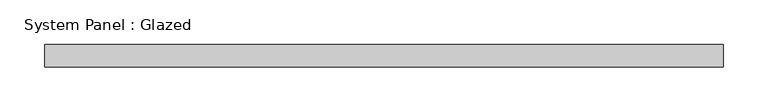
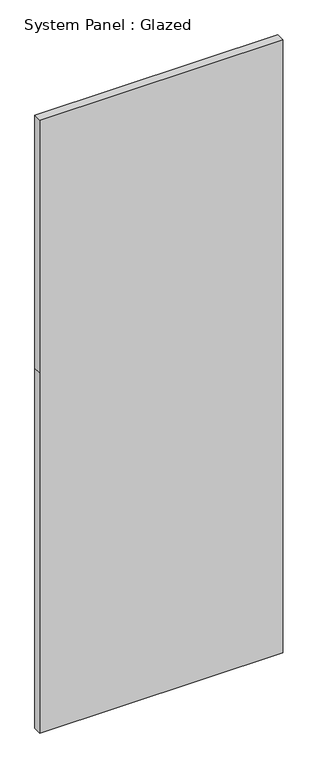
"""IFC4 building model written with IfcOpenShell, lengths in millimetres: plate geometry, System Panel : Glazed."""

import ifcopenshell
import ifcopenshell.guid

model = None  # the IFC model being written
_history = None  # IfcOwnerHistory: only IFC2X3 demands one
_inside = {}  # id of a spatial element -> (the spatial element, [elements in it])
_under = {}  # id of a project, library or spatial element -> (it, [spatial elements below it])
_declared = {}  # id of a project -> (the project, [libraries it declares])
_typed = {}  # id of a type object -> (the type object, [elements of that type])
_made_of = {}  # id of a material, layer set ... -> (it, [elements and type objects made of it])


def new_model(schema):
    """Start an empty IFC model of exactly this schema.

    Asked for "IFC4X3", IfcOpenShell would pick the latest addendum, in which some entities
    have other attributes; the version numbers below select the first issue.
    IFC2X3 requires an IfcOwnerHistory on every rooted entity: one is made here for all.
    """
    global model, _history
    if schema == "IFC4X3":
        model = ifcopenshell.file(schema_version=(4, 3, 0, 0))
    else:
        model = ifcopenshell.file(schema=schema)
    _inside.clear()
    _under.clear()
    _declared.clear()
    _typed.clear()
    _made_of.clear()
    _history = None
    if model.schema == "IFC2X3":
        org = make("IfcOrganization", Name="unknown")
        user = make(
            "IfcPersonAndOrganization",
            ThePerson=make("IfcPerson", FamilyName="unknown"),
            TheOrganization=org,
        )
        app = make(
            "IfcApplication",
            ApplicationDeveloper=org,
            Version="unknown",
            ApplicationFullName="unknown",
            ApplicationIdentifier="unknown",
        )
        _history = make(
            "IfcOwnerHistory",
            OwningUser=user,
            OwningApplication=app,
            ChangeAction="ADDED",
            CreationDate=0,
        )
    return model


def make(cls, **values):
    """One entity of the class cls with the attributes given. An attribute that is None is left unset."""
    return model.create_entity(
        cls, **{name: value for name, value in values.items() if value is not None}
    )


def rooted(cls, **values):
    """An entity with a GlobalId (a new one), such as an element, a storey or a relation."""
    return make(cls, GlobalId=ifcopenshell.guid.new(), OwnerHistory=_history, **values)


def si_unit(unit_type, name, prefix=None):
    """IfcSIUnit, for example si_unit("LENGTHUNIT", "METRE", prefix="MILLI")."""
    return make("IfcSIUnit", UnitType=unit_type, Prefix=prefix, Name=name)


def assignment(units):
    """IfcUnitAssignment: the units of a project."""
    return None if units is None else make("IfcUnitAssignment", Units=units)


def point(xyz):
    """IfcCartesianPoint."""
    return None if xyz is None else make("IfcCartesianPoint", Coordinates=xyz)


def direction(xyz):
    """IfcDirection."""
    return None if xyz is None else make("IfcDirection", DirectionRatios=xyz)


def frame(location, z_axis=None, x_axis=None):
    """IfcAxis2Placement3D, a coordinate frame: its origin and axes. An axis left out is left unset."""
    return make(
        "IfcAxis2Placement3D",
        Location=point(location),
        Axis=direction(z_axis),
        RefDirection=direction(x_axis),
    )


def origin():
    """The frame at (0, 0, 0) with its axes left unset."""
    return frame((0.0, 0.0, 0.0))


def place(relative_to, where):
    """IfcLocalPlacement: puts the frame where relative to a parent placement (None: the world)."""
    return make(
        "IfcLocalPlacement", PlacementRelTo=relative_to, RelativePlacement=where
    )


def context(
    kind, dimensions, precision=None, world=None, true_north=None, identifier=None
):
    """IfcGeometricRepresentationContext, for example the 3D "Model" context."""
    return make(
        "IfcGeometricRepresentationContext",
        ContextIdentifier=identifier,
        ContextType=kind,
        CoordinateSpaceDimension=dimensions,
        Precision=precision,
        WorldCoordinateSystem=world,
        TrueNorth=true_north,
    )


def project(units=None, contexts=None):
    """IfcProject with its units and contexts."""
    return rooted(
        "IfcProject",
        Name="project",
        RepresentationContexts=contexts,
        UnitsInContext=assignment(units),
    )


def spatial(cls, under=None, at=None, **own):
    """A site, building, storey or space (cls), placed at a placement, below another one or the project."""
    s = rooted(cls, ObjectPlacement=at, **own)
    if under is not None:
        _under.setdefault(under.id(), (under, []))[1].append(s)
    return s


def polyline(points):
    """IfcPolyline through the points."""
    return make("IfcPolyline", Points=[point(p) for p in points])


def outline(outer, holes=None, kind="AREA"):
    """IfcArbitraryClosedProfileDef: a profile drawn as a closed curve; with holes, ...WithVoids."""
    if holes is None:
        return make("IfcArbitraryClosedProfileDef", ProfileType=kind, OuterCurve=outer)
    return make(
        "IfcArbitraryProfileDefWithVoids",
        ProfileType=kind,
        OuterCurve=outer,
        InnerCurves=holes,
    )


def extrude(swept, where, along, depth):
    """IfcExtrudedAreaSolid: the profile swept, set in the frame where, extruded along a direction by depth."""
    return make(
        "IfcExtrudedAreaSolid",
        SweptArea=swept,
        Position=where,
        ExtrudedDirection=direction(along),
        Depth=depth,
    )


def shape(context_of_items, identifier, shape_type, items):
    """IfcShapeRepresentation: the items that make up one representation, for example the "Body"."""
    return make(
        "IfcShapeRepresentation",
        ContextOfItems=context_of_items,
        RepresentationIdentifier=identifier,
        RepresentationType=shape_type,
        Items=items,
    )


def source(mapping_origin, context_of_items, identifier, shape_type, items):
    """IfcRepresentationMap: a shape defined once, which mapped items show again and again."""
    return make(
        "IfcRepresentationMap",
        MappingOrigin=mapping_origin,
        MappedRepresentation=shape(context_of_items, identifier, shape_type, items),
    )


def transform(
    local_origin,
    x_axis=None,
    y_axis=None,
    z_axis=None,
    scale=None,
    scale2=None,
    scale3=None,
    uniform=True,
):
    """IfcCartesianTransformationOperator3D, or its non-uniform kind. x_axis, y_axis, z_axis: its Axis1, 2, 3."""
    if uniform:
        return make(
            "IfcCartesianTransformationOperator3D",
            Axis1=direction(x_axis),
            Axis2=direction(y_axis),
            LocalOrigin=point(local_origin),
            Scale=scale,
            Axis3=direction(z_axis),
        )
    return make(
        "IfcCartesianTransformationOperator3DnonUniform",
        Axis1=direction(x_axis),
        Axis2=direction(y_axis),
        LocalOrigin=point(local_origin),
        Scale=scale,
        Axis3=direction(z_axis),
        Scale2=scale2,
        Scale3=scale3,
    )


def mapped(mapping_source, mapping_target):
    """IfcMappedItem: shows the shape of a source again, moved by a transform."""
    return make(
        "IfcMappedItem", MappingSource=mapping_source, MappingTarget=mapping_target
    )


def made_of(thing, what):
    """Note that an element or type object is made of a material, layer set ...; save() writes the relation."""
    if what is not None:
        _made_of.setdefault(what.id(), (what, []))[1].append(thing)
    return thing


def element(
    cls,
    number,
    at=None,
    inside=None,
    cuts=None,
    type_object=None,
    material=None,
    context=None,
    identifier="Body",
    shape_type=None,
    held_by="IfcProductDefinitionShape",
    body=None,
    shapes=None,
    **own,
):
    """One element of the class cls, such as IfcWall. Its Tag is "e" and its number.

    at: its placement. inside: the storey or other place that contains it. cuts: it is an
    opening in that element (IfcRelVoidsElement). A single representation is given by context,
    identifier, shape_type and body (its items); several are given by shapes. held_by: the class
    of the entity that holds the representations. save() writes the other relations.
    """
    e = rooted(cls, Tag="e%d" % number, ObjectPlacement=at, **own)
    if body is not None:
        shapes = [shape(context, identifier, shape_type, body)]
    if shapes is not None:
        e.Representation = make(held_by, Representations=shapes)
    if inside is not None:
        _inside.setdefault(inside.id(), (inside, []))[1].append(e)
    if cuts is not None:
        rooted(
            "IfcRelVoidsElement", RelatingBuildingElement=cuts, RelatedOpeningElement=e
        )
    if type_object is not None:
        _typed.setdefault(type_object.id(), (type_object, []))[1].append(e)
    return made_of(e, material)


def aggregate(whole, parts):
    """IfcRelAggregates: a whole, such as a stair, and the parts it consists of."""
    return rooted("IfcRelAggregates", RelatingObject=whole, RelatedObjects=parts)


def save(model, path):
    """Write the relations noted so far, then the file.

    IfcRelAggregates (storeys below a building ...), IfcRelContainedInSpatialStructure (elements
    in a storey), IfcRelDefinesByType, IfcRelAssociatesMaterial and IfcRelDeclares: one each for
    every whole, place, type object, material and project.
    """
    for whole, parts in _under.values():
        aggregate(whole, parts)
    for where, things in _inside.values():
        rooted(
            "IfcRelContainedInSpatialStructure",
            RelatedElements=things,
            RelatingStructure=where,
        )
    for kind, things in _typed.values():
        rooted("IfcRelDefinesByType", RelatedObjects=things, RelatingType=kind)
    for what, things in _made_of.values():
        rooted("IfcRelAssociatesMaterial", RelatedObjects=things, RelatingMaterial=what)
    for by, libraries in _declared.values():
        rooted("IfcRelDeclares", RelatingContext=by, RelatedDefinitions=libraries)
    model.write(path)


def system_panel_glazed_2dcb9808(model_context):
    return source(origin(), model_context, "Body", "SweptSolid", [
        extrude(outline(polyline([(0.0, -381.0), (0.0, 381.0), (1193.8, 381.0), (2032.0, 381.0), (2032.0, -381.0), (1193.8, -381.0), (0.0, -381.0)])), frame((0.0, -12.7, 0.0), z_axis=(0.0, 1.0, 0.0), x_axis=(0.0, 0.0, 1.0)), (0.0, 0.0, 1.0), 25.4),
    ])


if __name__ == "__main__":
    model = new_model("IFC4")
    model_context = context("Model", 3, world=origin())
    ifc_project = project(units=[si_unit("LENGTHUNIT", "METRE", prefix="MILLI")], contexts=[model_context])
    site = spatial("IfcSite", under=ifc_project)
    building = spatial("IfcBuilding", under=site)
    placement = place(None, origin())
    system_panel_glazed_shape = system_panel_glazed_2dcb9808(model_context)
    element("IfcPlate", 1, ObjectType="System Panel : Glazed", at=placement, inside=building, context=model_context, shape_type="MappedRepresentation", body=[
        mapped(system_panel_glazed_shape, transform((0.0, 0.0, 0.0), x_axis=(1.0, 0.0, 0.0), y_axis=(0.0, 1.0, 0.0), z_axis=(0.0, 0.0, 1.0))),
    ])
    save(model, "model.ifc")
